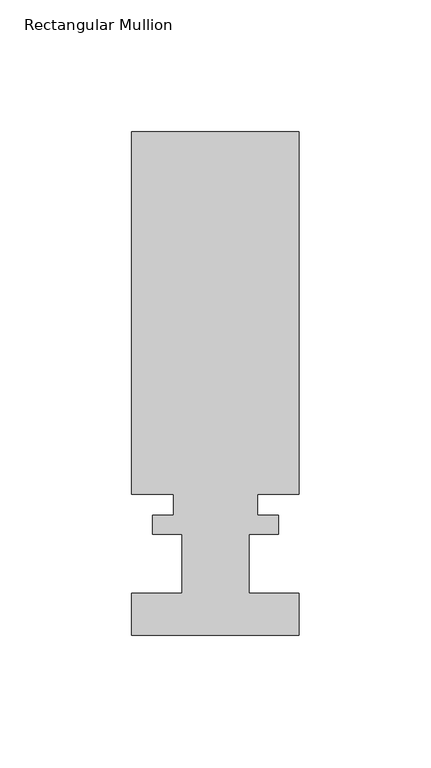
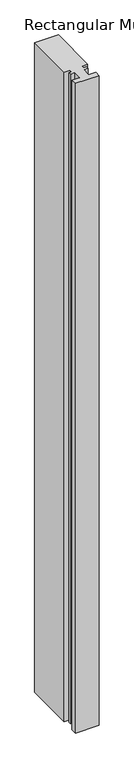
"""IFC4 building model written with IfcOpenShell, lengths in millimetres: member geometry, Rectangular Mullion."""

from ifc_helpers import new_model, si_unit, frame, origin, place, context, project, spatial, polyline, outline, extrude, source, transform, mapped, element, save


def rectangular_mullion_1870a320(model_context):
    return source(origin(), model_context, "Body", "SweptSolid", [
        extrude(outline(polyline([(-31.75, -0.0555625), (-31.75, 15.8194375), (-12.7, 15.8194375), (-12.7, 38.2984375), (-23.8252, 38.2984375), (-23.8252, 45.4612375), (-15.875, 45.4612375), (-15.875, 53.3606375), (-31.75, 53.3606375), (-31.75, 190.6984375), (31.75, 190.6984375), (31.75, 53.3606375), (15.875, 53.3606375), (15.875, 45.4612375), (23.8252, 45.4612375), (23.8252, 38.2984375), (12.7, 38.2984375), (12.7, 15.8194375), (31.75, 15.8194375), (31.75, -0.0555625), (-31.75, -0.0555625)])), frame((0.0, 0.0, -1847.8515168), z_axis=(0.0, 0.0, 1.0), x_axis=(1.0, 0.0, 0.0)), (0.0, 0.0, 1.0), 1847.8515168),
    ])


if __name__ == "__main__":
    model = new_model("IFC4")
    model_context = context("Model", 3, world=origin())
    ifc_project = project(units=[si_unit("LENGTHUNIT", "METRE", prefix="MILLI")], contexts=[model_context])
    site = spatial("IfcSite", under=ifc_project)
    building = spatial("IfcBuilding", under=site)
    placement = place(None, origin())
    rectangular_mullion_shape = rectangular_mullion_1870a320(model_context)
    element("IfcMember", 1, ObjectType="Rectangular Mullion", at=placement, inside=building, context=model_context, shape_type="MappedRepresentation", body=[
        mapped(rectangular_mullion_shape, transform((0.0, 0.0, 0.0), x_axis=(1.0, 0.0, 0.0), y_axis=(0.0, 1.0, 0.0), z_axis=(0.0, 0.0, 1.0))),
    ])
    save(model, "model.ifc")
